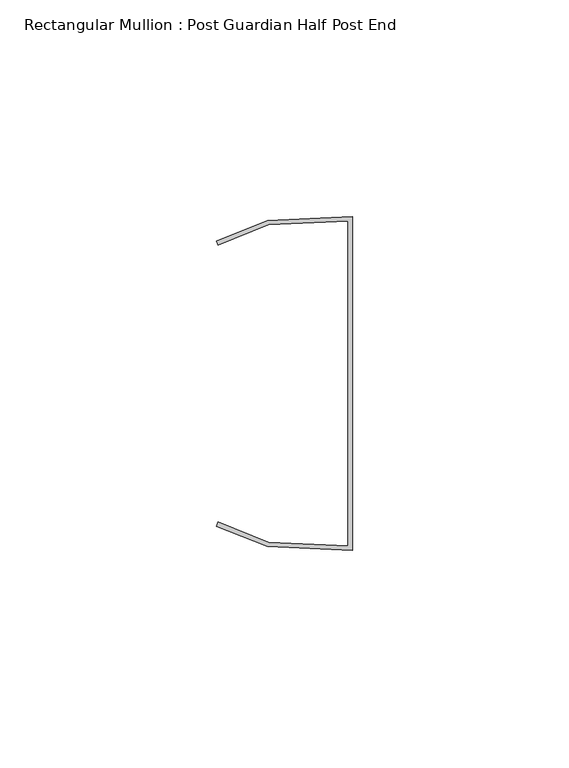
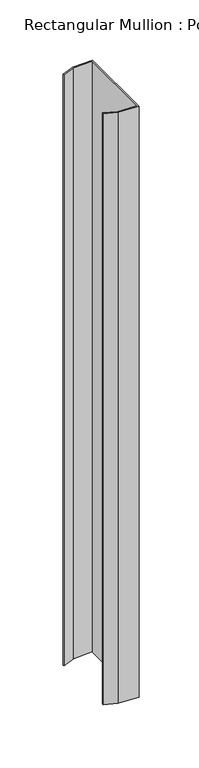
"""IFC4 building model written with IfcOpenShell, lengths in millimetres: member geometry, Rectangular Mullion : Post Guardian Half Post End."""

from ifc_helpers import new_model, si_unit, frame, origin, place, context, project, spatial, polyline, outline, extrude, source, transform, mapped, element, save


def rectangular_mullion_post_guardian_half_post_end_801b94b3(model_context):
    return source(origin(), model_context, "Body", "SweptSolid", [
        extrude(outline(polyline([(-19.3547042, 36.6491978), (-31.0, 32.007111), (-31.370288, 32.936028), (-19.5688829, 37.6403436), (0.0, 38.5474271), (0.0, -38.5474271), (-19.5688829, -37.6403436), (-31.370288, -32.936028), (-31.0, -32.007111), (-19.3547042, -36.6491978), (-1.0, -37.5), (-1.0, 37.5), (-19.3547042, 36.6491978)])), frame((0.0, 0.0, -600.0), z_axis=(0.0, 0.0, 1.0), x_axis=(1.0, 0.0, 0.0)), (0.0, 0.0, 1.0), 600.0),
    ])


if __name__ == "__main__":
    model = new_model("IFC4")
    model_context = context("Model", 3, world=origin())
    ifc_project = project(units=[si_unit("LENGTHUNIT", "METRE", prefix="MILLI")], contexts=[model_context])
    site = spatial("IfcSite", under=ifc_project)
    building = spatial("IfcBuilding", under=site)
    placement = place(None, origin())
    rectangular_mullion_post_guardian_half_post_end_shape = rectangular_mullion_post_guardian_half_post_end_801b94b3(model_context)
    element("IfcMember", 1, ObjectType="Rectangular Mullion : Post Guardian Half Post End", at=placement, inside=building, context=model_context, shape_type="MappedRepresentation", body=[
        mapped(rectangular_mullion_post_guardian_half_post_end_shape, transform((0.0, 0.0, 0.0), x_axis=(1.0, 0.0, 0.0), y_axis=(0.0, 1.0, 0.0), z_axis=(0.0, 0.0, 1.0))),
    ])
    save(model, "model.ifc")
